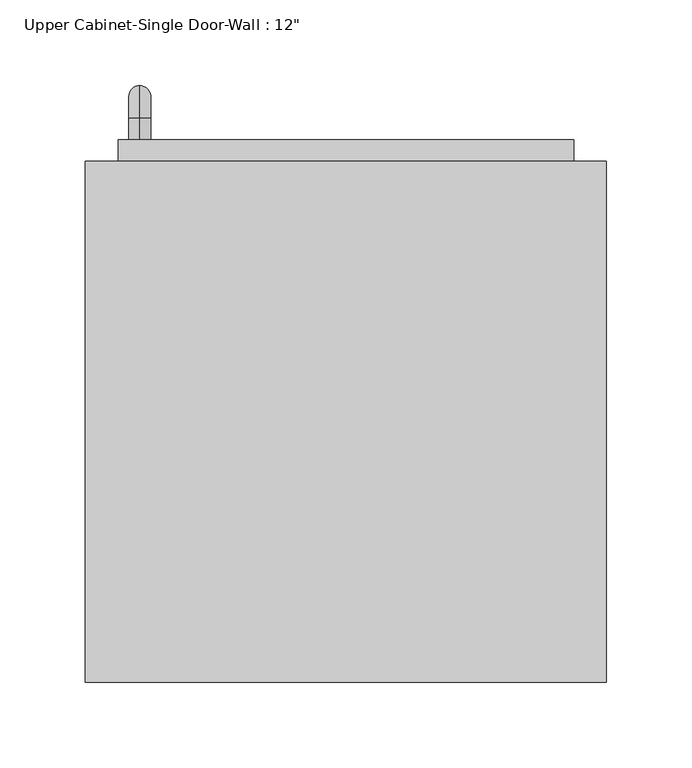
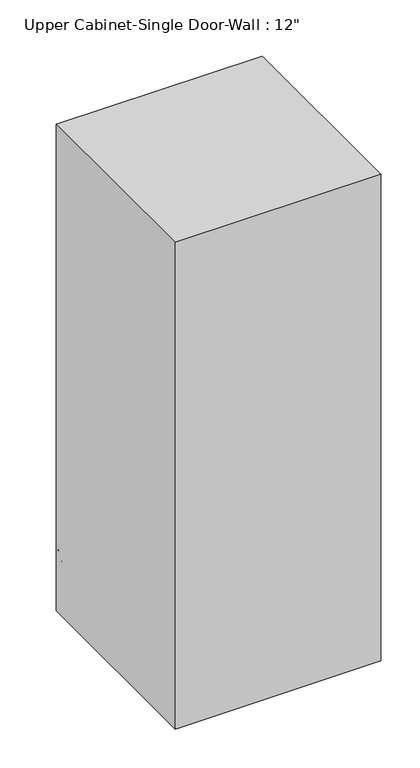
"""IFC4 building model written with IfcOpenShell, lengths in millimetres: furniture geometry."""

from ifc_helpers import new_model, si_unit, point, frame, origin, place, context, project, spatial, polyline, circle_curve, ellipse_curve, trimmed, outline, extrude, faceted_brep, source, transform, mapped, element, save
from ifc_brep_helpers import plane_surface, cylinder_surface, revolved_surface, advanced_brep


def furniture_67a93bf0(model_context):
    return source(origin(), model_context, "Body", "SolidModel", [
        faceted_brep([(-122.6288372, 50.8, 2133.6), (-122.6288372, 50.8, 1371.6), (182.1711628, 50.8, 1371.6), (182.1711628, 50.8, 2133.6), (-122.6288372, 355.6, 2133.6), (182.1711628, 355.6, 2133.6), (182.1711628, 355.6, 1371.6), (-122.6288372, 355.6, 1371.6), (-103.5788372, 355.6, 2114.55), (-103.5788372, 355.6, 1390.65), (163.1211628, 355.6, 1390.65), (163.1211628, 355.6, 2114.55), (163.1211628, 69.85, 2114.55), (-103.5788372, 69.85, 2114.55), (163.1211628, 69.85, 1390.65), (-103.5788372, 69.85, 1390.65)], [[[0, 1, 2, 3]], [[4, 5, 6, 7], [8, 9, 10, 11]], [[1, 0, 4, 7]], [[2, 1, 7, 6]], [[3, 2, 6, 5]], [[0, 3, 5, 4]], [[8, 11, 12, 13]], [[11, 10, 14, 12]], [[10, 9, 15, 14]], [[9, 8, 13, 15]], [[13, 12, 14, 15]]]),
        advanced_brep(
        [(-90.8788372, 368.3, 1517.65), (-90.8788372, 368.3, 1530.35), (-90.8788372, 381.0, 1517.65), (-90.8788372, 381.0, 1530.35), (-90.8788372, 400.05, 1511.3), (-90.8788372, 387.35, 1511.3), (-90.8788372, 387.35, 1435.1), (-90.8788372, 400.05, 1435.1), (-90.8788372, 381.0, 1416.05), (-90.8788372, 381.0, 1428.75), (-90.8788372, 368.3, 1428.75), (-90.8788372, 368.3, 1416.05)],
        [
            (0, 1, circle_curve(frame((-90.8788372, 368.3, 1524.0), z_axis=(0.0, -1.0, 0.0), x_axis=(0.0, 0.0, 1.0)), 6.35)),
            (1, 0, circle_curve(frame((-90.8788372, 368.3, 1524.0), z_axis=(0.0, -1.0, 0.0), x_axis=(0.0, 0.0, 1.0)), 6.35)),
            (0, 2),
            (2, 3, circle_curve(frame((-90.8788372, 381.0, 1524.0), z_axis=(0.0, -1.0, 0.0), x_axis=(0.0, 0.0, 1.0)), 6.35)),
            (3, 1),
            (3, 2, circle_curve(frame((-90.8788372, 381.0, 1524.0), z_axis=(0.0, -1.0, 0.0), x_axis=(0.0, 0.0, 1.0)), 6.35)),
            (4, 3, circle_curve(frame((-90.8788372, 381.0, 1511.3), z_axis=(1.0, 0.0, 0.0), x_axis=(0.0, 0.0, 1.0)), 19.05)),
            (2, 5, circle_curve(frame((-90.8788372, 381.0, 1511.3), z_axis=(-1.0, 0.0, 0.0), x_axis=(0.0, 0.0, 1.0)), 6.35)),
            (5, 4, circle_curve(frame((-90.8788372, 393.7, 1511.3), z_axis=(0.0, 0.0, 1.0), x_axis=(0.0, 1.0, 0.0)), 6.35)),
            (4, 5, circle_curve(frame((-90.8788372, 393.7, 1511.3), z_axis=(0.0, 0.0, 1.0), x_axis=(0.0, 1.0, 0.0)), 6.35)),
            (5, 6),
            (6, 7, circle_curve(frame((-90.8788372, 393.7, 1435.1), z_axis=(0.0, 0.0, 1.0), x_axis=(0.0, 1.0, 0.0)), 6.35)),
            (7, 4),
            (7, 6, circle_curve(frame((-90.8788372, 393.7, 1435.1), z_axis=(0.0, 0.0, 1.0), x_axis=(0.0, 1.0, 0.0)), 6.35)),
            (8, 7, circle_curve(frame((-90.8788372, 381.0, 1435.1), z_axis=(1.0, 0.0, 0.0), x_axis=(0.0, 1.0, 0.0)), 19.05)),
            (6, 9, circle_curve(frame((-90.8788372, 381.0, 1435.1), z_axis=(-1.0, 0.0, 0.0), x_axis=(0.0, 1.0, 0.0)), 6.35)),
            (9, 8, circle_curve(frame((-90.8788372, 381.0, 1422.4), z_axis=(0.0, 1.0, 0.0), x_axis=(0.0, 0.0, -1.0)), 6.35)),
            (8, 9, circle_curve(frame((-90.8788372, 381.0, 1422.4), z_axis=(0.0, 1.0, 0.0), x_axis=(0.0, 0.0, -1.0)), 6.35)),
            (10, 11, circle_curve(frame((-90.8788372, 368.3, 1422.4), z_axis=(0.0, -1.0, 0.0), x_axis=(0.0, 0.0, -1.0)), 6.35)),
            (11, 10, circle_curve(frame((-90.8788372, 368.3, 1422.4), z_axis=(0.0, -1.0, 0.0), x_axis=(0.0, 0.0, -1.0)), 6.35)),
            (9, 10),
            (11, 8),
        ],
        [
            plane_surface(frame((-97.2288372, 368.3, 1524.0), z_axis=(0.0, -1.0, 0.0), x_axis=(0.0, 0.0, 1.0))),
            cylinder_surface(frame((-90.8788372, 368.3, 1524.0), z_axis=(0.0, -1.0, 0.0), x_axis=(0.0, 0.0, 1.0)), 6.35),
            revolved_surface(trimmed(ellipse_curve(frame((-90.8788372, 381.0, 1524.0), z_axis=(0.0, -1.0, 0.0), x_axis=(0.0, 0.0, 1.0)), 6.35, 6.35), [point((-90.8788372, 381.0, 1517.65))], [point((-90.8788372, 381.0, 1530.35))], True, "CARTESIAN"), (-90.8788372, 381.0, 1511.3), (-1.0, 0.0, 0.0)),
            revolved_surface(trimmed(ellipse_curve(frame((-90.8788372, 381.0, 1524.0), z_axis=(0.0, -1.0, 0.0), x_axis=(0.0, 0.0, 1.0)), 6.35, 6.35), [point((-90.8788372, 381.0, 1530.35))], [point((-90.8788372, 381.0, 1517.65))], True, "CARTESIAN"), (-90.8788372, 381.0, 1511.3), (-1.0, 0.0, 0.0)),
            cylinder_surface(frame((-90.8788372, 393.7, 1511.3), z_axis=(0.0, 0.0, 1.0), x_axis=(0.0, 1.0, 0.0)), 6.35),
            revolved_surface(trimmed(ellipse_curve(frame((-90.8788372, 393.7, 1435.1), z_axis=(0.0, 0.0, 1.0), x_axis=(0.0, 1.0, 0.0)), 6.35, 6.35), [point((-90.8788372, 387.35, 1435.1))], [point((-90.8788372, 400.05, 1435.1))], True, "CARTESIAN"), (-90.8788372, 381.0, 1435.1), (-1.0, 0.0, 0.0)),
            revolved_surface(trimmed(ellipse_curve(frame((-90.8788372, 393.7, 1435.1), z_axis=(0.0, 0.0, 1.0), x_axis=(0.0, 1.0, 0.0)), 6.35, 6.35), [point((-90.8788372, 400.05, 1435.1))], [point((-90.8788372, 387.35, 1435.1))], True, "CARTESIAN"), (-90.8788372, 381.0, 1435.1), (-1.0, 0.0, 0.0)),
            plane_surface(frame((-97.2288372, 368.3, 1422.4), z_axis=(0.0, -1.0, 0.0), x_axis=(0.0, 0.0, -1.0))),
            cylinder_surface(frame((-90.8788372, 381.0, 1422.4), z_axis=(0.0, 1.0, 0.0), x_axis=(0.0, 0.0, -1.0)), 6.35),
        ],
        [
            (0, [[1, 2]]),
            (1, [[-1, 3, 4, 5]]),
            (1, [[-2, -5, 6, -3]]),
            (2, [[7, -4, 8, 9]]),
            (3, [[-8, -6, -7, 10]]),
            (4, [[-9, 11, 12, 13]]),
            (4, [[-10, -13, 14, -11]]),
            (5, [[15, -12, 16, 17]]),
            (6, [[-16, -14, -15, 18]]),
            (7, [[19, 20]]),
            (8, [[-17, 21, -20, 22]]),
            (8, [[-18, -22, -19, -21]]),
        ],
    ),
        extrude(outline(polyline([(-103.5788372, 368.3), (163.1211628, 368.3), (163.1211628, 336.55), (-103.5788372, 336.55), (-103.5788372, 368.3)])), frame((0.0, 0.0, 1390.65), z_axis=(0.0, 0.0, 1.0), x_axis=(1.0, 0.0, 0.0)), (0.0, 0.0, 1.0), 723.9),
    ])


if __name__ == "__main__":
    model = new_model("IFC4")
    model_context = context("Model", 3, world=origin())
    ifc_project = project(units=[si_unit("LENGTHUNIT", "METRE", prefix="MILLI")], contexts=[model_context])
    site = spatial("IfcSite", under=ifc_project)
    building = spatial("IfcBuilding", under=site)
    placement = place(None, origin())
    furniture_shape = furniture_67a93bf0(model_context)
    element("IfcFurniture", 1, ObjectType="Upper Cabinet-Single Door-Wall : 12\"", at=placement, inside=building, context=model_context, shape_type="MappedRepresentation", body=[
        mapped(furniture_shape, transform((0.0, 0.0, 0.0), x_axis=(1.0, 0.0, 0.0), y_axis=(0.0, 1.0, 0.0), z_axis=(0.0, 0.0, 1.0))),
    ])
    save(model, "model.ifc")
